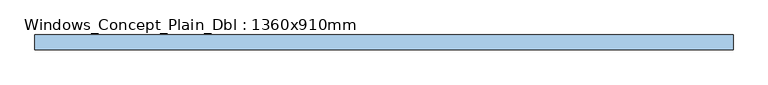
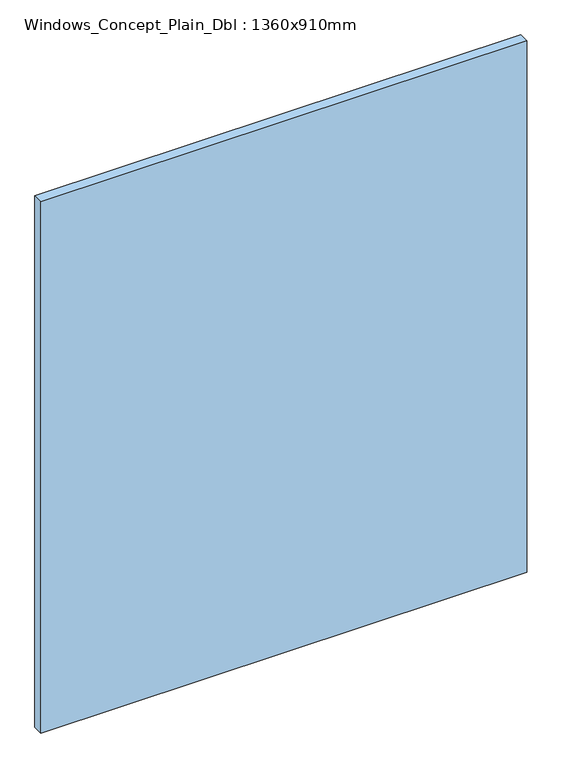
"""IFC4 building model written with IfcOpenShell, lengths in millimetres: window geometry, Windows_Concept_Plain_Dbl : 1360x910mm."""

from ifc_helpers import new_model, si_unit, frame, origin, place, context, project, spatial, polyline, outline, extrude, source, transform, mapped, element, save


def windows_concept_plain_dbl_1360x910mm_85f2caf2(model_context):
    return source(origin(), model_context, "Body", "SweptSolid", [
        extrude(outline(polyline([(395.0, 72.4565678), (-738.7240836, 72.4565678), (-738.7240836, 96.4565678), (395.0, 96.4565678), (395.0, 72.4565678)])), frame((0.0, 0.0, 799.938119), z_axis=(0.0, 0.0, 1.0), x_axis=(1.0, 0.0, 0.0)), (0.0, 0.0, 1.0), 1310.4634799),
    ])


if __name__ == "__main__":
    model = new_model("IFC4")
    model_context = context("Model", 3, world=origin())
    ifc_project = project(units=[si_unit("LENGTHUNIT", "METRE", prefix="MILLI")], contexts=[model_context])
    site = spatial("IfcSite", under=ifc_project)
    building = spatial("IfcBuilding", under=site)
    placement = place(None, origin())
    windows_concept_plain_dbl_1360x910mm_shape = windows_concept_plain_dbl_1360x910mm_85f2caf2(model_context)
    element("IfcWindow", 1, ObjectType="Windows_Concept_Plain_Dbl : 1360x910mm", at=placement, inside=building, context=model_context, shape_type="MappedRepresentation", body=[
        mapped(windows_concept_plain_dbl_1360x910mm_shape, transform((0.0, 0.0, 0.0), x_axis=(1.0, 0.0, 0.0), y_axis=(0.0, 1.0, 0.0), z_axis=(0.0, 0.0, 1.0))),
    ])
    save(model, "model.ifc")
